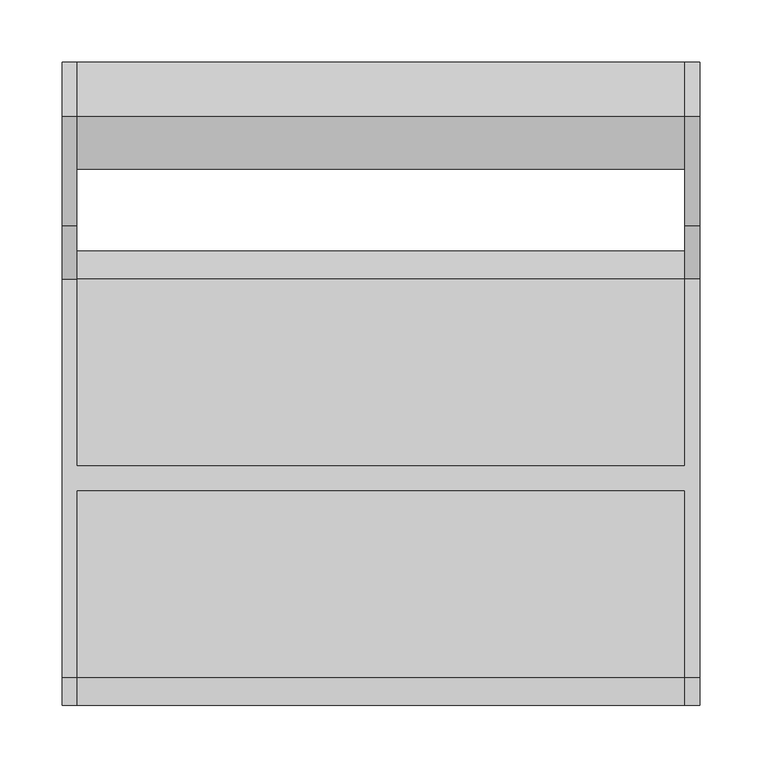
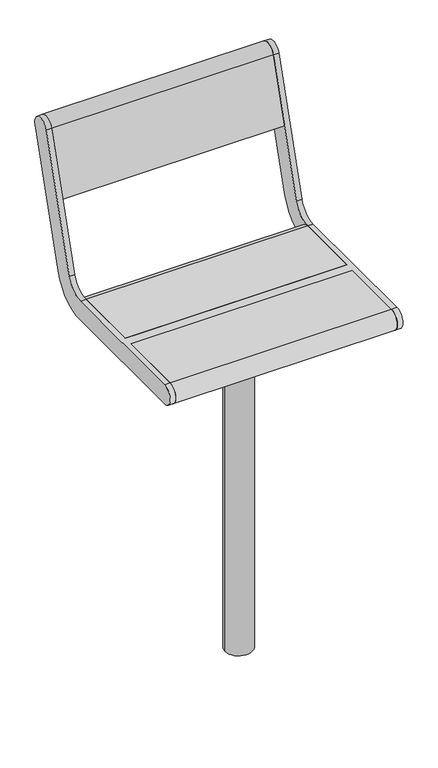
"""IFC4 building model written with IfcOpenShell, lengths in millimetres: furniture geometry."""

from ifc_helpers import new_model, si_unit, point, frame, frame_2d, origin, origin_2d, place, context, project, spatial, polyline, circle_curve, trimmed, segment, composite_curve, outline, extrude, source, transform, mapped, element, save
from ifc_brep_helpers import plane_surface, cylinder_surface, revolved_surface, advanced_brep


def furniture_82191acc(model_context):
    return source(origin(), model_context, "Body", "SolidModel", [
        advanced_brep(
        [(-245.0, 291.0375971, 769.6910048), (-245.0, 203.033714, 481.8432733), (-245.0, 160.0, 450.0), (-245.0, 9.5, 450.0), (-245.0, 9.5, 405.0), (-245.0, 160.0, 405.0), (-245.0, 246.067428, 468.6865466), (-245.0, 334.0713112, 756.5342781), (-245.0, -161.0, 450.0), (-245.0, -161.0, 405.0), (-245.0, -10.5, 405.0), (-245.0, -10.5, 450.0), (-257.0, 291.0375971, 769.6910048), (-257.0, 334.0713112, 756.5342781), (-257.0, 246.067428, 468.6865466), (-257.0, 160.0, 405.0), (-257.0, -161.0, 405.0), (-257.0, -161.0, 450.0), (-257.0, 160.0, 450.0), (-257.0, 203.033714, 481.8432733), (245.0, -10.5, 450.0), (245.0, -161.0, 450.0), (257.0, -161.0, 450.0), (257.0, 160.0, 450.0), (245.0, 160.0, 450.0), (245.0, 9.5, 450.0), (245.0, 9.5, 405.0), (245.0, 160.0, 405.0), (257.0, 160.0, 405.0), (257.0, -161.0, 405.0), (245.0, -161.0, 405.0), (245.0, -10.5, 405.0), (257.0, 291.0375971, 769.6910048), (257.0, 203.033714, 481.8432733), (257.0, 246.067428, 468.6865466), (257.0, 334.0713112, 756.5342781), (245.0, 291.0375971, 769.6910048), (245.0, 334.0713112, 756.5342781), (245.0, 246.067428, 468.6865466), (245.0, 203.033714, 481.8432733)],
        [
            (0, 1),
            (1, 2, circle_curve(frame((-245.0, 160.0, 495.0), z_axis=(-1.0, 0.0, 0.0), x_axis=(0.0, -1.0, 0.0)), 45.0)),
            (2, 3),
            (3, 4),
            (4, 5),
            (5, 6, circle_curve(frame((-245.0, 160.0, 495.0), z_axis=(1.0, 0.0, 0.0), x_axis=(0.0, -1.0, 0.0)), 90.0)),
            (6, 7),
            (7, 0, circle_curve(frame((-245.0, 312.5544541, 763.1126415), z_axis=(1.0, 0.0, 0.0), x_axis=(0.0, -1.0, 0.0)), 22.5)),
            (8, 9, circle_curve(frame((-245.0, -161.0, 427.5), z_axis=(1.0, 0.0, 0.0), x_axis=(0.0, -1.0, 0.0)), 22.5)),
            (9, 10),
            (10, 11),
            (11, 8),
            (12, 13, circle_curve(frame((-257.0, 312.5544541, 763.1126415), z_axis=(-1.0, 0.0, 0.0), x_axis=(0.0, -1.0, 0.0)), 22.5)),
            (13, 14),
            (14, 15, circle_curve(frame((-257.0, 160.0, 495.0), z_axis=(-1.0, 0.0, 0.0), x_axis=(0.0, -1.0, 0.0)), 90.0)),
            (15, 16),
            (16, 17, circle_curve(frame((-257.0, -161.0, 427.5), z_axis=(-1.0, 0.0, 0.0), x_axis=(0.0, -1.0, 0.0)), 22.5)),
            (17, 18),
            (18, 19, circle_curve(frame((-257.0, 160.0, 495.0), z_axis=(1.0, 0.0, 0.0), x_axis=(0.0, -1.0, 0.0)), 45.0)),
            (19, 12),
            (0, 12),
            (19, 1),
            (18, 2),
            (17, 8),
            (11, 20),
            (20, 21),
            (21, 22),
            (22, 23),
            (23, 24),
            (24, 25),
            (25, 3),
            (15, 5),
            (4, 26),
            (26, 27),
            (27, 28),
            (28, 29),
            (29, 30),
            (30, 31),
            (31, 10),
            (9, 16),
            (14, 6),
            (13, 7),
            (31, 20),
            (25, 26),
            (32, 33),
            (33, 23, circle_curve(frame((257.0, 160.0, 495.0), z_axis=(-1.0, 0.0, 0.0), x_axis=(0.0, -1.0, 0.0)), 45.0)),
            (22, 29, circle_curve(frame((257.0, -161.0, 427.5), z_axis=(1.0, 0.0, 0.0), x_axis=(0.0, -1.0, 0.0)), 22.5)),
            (28, 34, circle_curve(frame((257.0, 160.0, 495.0), z_axis=(1.0, 0.0, 0.0), x_axis=(0.0, -1.0, 0.0)), 90.0)),
            (34, 35),
            (35, 32, circle_curve(frame((257.0, 312.5544541, 763.1126415), z_axis=(1.0, 0.0, 0.0), x_axis=(0.0, -1.0, 0.0)), 22.5)),
            (36, 37, circle_curve(frame((245.0, 312.5544541, 763.1126415), z_axis=(-1.0, 0.0, 0.0), x_axis=(0.0, -1.0, 0.0)), 22.5)),
            (37, 38),
            (38, 27, circle_curve(frame((245.0, 160.0, 495.0), z_axis=(-1.0, 0.0, 0.0), x_axis=(0.0, -1.0, 0.0)), 90.0)),
            (24, 39, circle_curve(frame((245.0, 160.0, 495.0), z_axis=(1.0, 0.0, 0.0), x_axis=(0.0, -1.0, 0.0)), 45.0)),
            (39, 36),
            (30, 21, circle_curve(frame((245.0, -161.0, 427.5), z_axis=(-1.0, 0.0, 0.0), x_axis=(0.0, -1.0, 0.0)), 22.5)),
            (32, 36),
            (39, 33),
            (38, 34),
            (37, 35),
        ],
        [
            plane_surface(frame((-245.0, 203.033714, 481.8432733), z_axis=(1.0000000000000002, 0.0, 0.0), x_axis=(0.0, -0.29237170472273394, -0.9563047559630364))),
            plane_surface(frame((-257.0, 203.033714, 481.8432733), z_axis=(-1.0000000000000002, 0.0, 0.0), x_axis=(0.0, 0.29237170472273394, 0.9563047559630364))),
            plane_surface(frame((-245.0, 291.0375971, 769.6910048), z_axis=(0.0, -0.9563047559630364, 0.29237170472273394), x_axis=(-1.0, 0.0, 0.0))),
            revolved_surface(polyline([(-257.0, 115.0, 495.0), (-245.0, 115.0, 495.0)]), (-257.0, 160.0, 495.0), (-1.0, 0.0, 0.0)),
            plane_surface(frame((-245.0, 160.0, 450.0), z_axis=(0.0, 0.0, 1.0), x_axis=(-1.0, 0.0, 0.0))),
            plane_surface(frame((-245.0, -161.0, 405.0), z_axis=(0.0, 0.0, -1.0), x_axis=(-1.0, 0.0, 0.0))),
            cylinder_surface(frame((-257.0, 160.0, 495.0), z_axis=(1.0, 0.0, 0.0), x_axis=(0.0, -1.0, 0.0)), 90.0),
            plane_surface(frame((-245.0, 246.067428, 468.6865466), z_axis=(0.0, 0.9563047559630364, -0.29237170472273366), x_axis=(-1.0, 0.0, 0.0))),
            cylinder_surface(frame((-257.0, 312.5544541, 763.1126415), z_axis=(1.0, 0.0, 0.0), x_axis=(0.0, -1.0, 0.0)), 22.5),
            cylinder_surface(frame((-257.0, -161.0, 427.5), z_axis=(1.0, 0.0, 0.0), x_axis=(0.0, -1.0, 0.0)), 22.5),
            plane_surface(frame((245.0, -10.5, 450.0), z_axis=(0.0, -1.0, 0.0), x_axis=(-1.0, 0.0, 0.0))),
            plane_surface(frame((245.0, 9.5, 405.0), z_axis=(0.0, 1.0, 0.0), x_axis=(-1.0, 0.0, 0.0))),
            plane_surface(frame((257.0, 203.033714, 481.8432733), z_axis=(1.0000000000000002, 0.0, 0.0), x_axis=(0.0, -0.29237170472273394, -0.9563047559630364))),
            plane_surface(frame((245.0, 203.033714, 481.8432733), z_axis=(-1.0000000000000002, 0.0, 0.0), x_axis=(0.0, 0.29237170472273394, 0.9563047559630364))),
            plane_surface(frame((257.0, 291.0375971, 769.6910048), z_axis=(0.0, -0.9563047559630364, 0.29237170472273394), x_axis=(-1.0, 0.0, 0.0))),
            revolved_surface(polyline([(245.0, 115.0, 495.0), (257.0, 115.0, 495.0)]), (245.0, 160.0, 495.0), (-1.0, 0.0, 0.0)),
            cylinder_surface(frame((245.0, 160.0, 495.0), z_axis=(1.0, 0.0, 0.0), x_axis=(0.0, -1.0, 0.0)), 90.0),
            plane_surface(frame((257.0, 246.067428, 468.6865466), z_axis=(0.0, 0.9563047559630364, -0.29237170472273366), x_axis=(-1.0, 0.0, 0.0))),
            cylinder_surface(frame((245.0, 312.5544541, 763.1126415), z_axis=(1.0, 0.0, 0.0), x_axis=(0.0, -1.0, 0.0)), 22.5),
            cylinder_surface(frame((245.0, -161.0, 427.5), z_axis=(1.0, 0.0, 0.0), x_axis=(0.0, -1.0, 0.0)), 22.5),
        ],
        [
            (0, [[1, 2, 3, 4, 5, 6, 7, 8]]),
            (0, [[9, 10, 11, 12]]),
            (1, [[13, 14, 15, 16, 17, 18, 19, 20]]),
            (2, [[-1, 21, -20, 22]]),
            (3, [[-2, -22, -19, 23]]),
            (4, [[-18, 24, -12, 25, 26, 27, 28, 29, 30, 31, -3, -23]]),
            (5, [[-16, 32, -5, 33, 34, 35, 36, 37, 38, 39, -10, 40]]),
            (6, [[-6, -32, -15, 41]]),
            (7, [[-7, -41, -14, 42]]),
            (8, [[-8, -42, -13, -21]]),
            (9, [[-9, -24, -17, -40]]),
            (10, [[-25, -11, -39, 43]]),
            (11, [[-31, 44, -33, -4]]),
            (12, [[45, 46, -28, 47, -36, 48, 49, 50]]),
            (13, [[51, 52, 53, -34, -44, -30, 54, 55]]),
            (13, [[56, -26, -43, -38]]),
            (14, [[-45, 57, -55, 58]]),
            (15, [[-46, -58, -54, -29]]),
            (16, [[-48, -35, -53, 59]]),
            (17, [[-49, -59, -52, 60]]),
            (18, [[-50, -60, -51, -57]]),
            (19, [[-47, -27, -56, -37]]),
        ],
    ),
        extrude(outline(composite_curve([segment(trimmed(circle_curve(frame_2d((312.5544541, 763.1126415)), 22.5), [point((291.0375971, 769.6910048))], [point((334.0713112, 756.5342781))], False, "CARTESIAN"), True, "CONTINUOUS"), segment(polyline([(334.0713112, 756.5342781), (291.5312281, 617.3919361), (248.4975141, 630.5486628), (291.0375971, 769.6910048)]), True, "CONTINUOUS")], self_intersect=False)), frame((-245.0, 0.0, 0.0), z_axis=(1.0, 0.0, 0.0), x_axis=(0.0, 1.0, 0.0)), (0.0, 0.0, 1.0), 490.0),
        extrude(outline(composite_curve([segment(polyline([(9.5, 405.0), (9.5, 450.0), (160.0, 450.0)]), True, "CONTINUOUS"), segment(trimmed(circle_curve(frame_2d((160.0, 427.5)), 22.5), [point((160.0, 450.0))], [point((160.0, 405.0))], False, "CARTESIAN"), True, "CONTINUOUS"), segment(polyline([(160.0, 405.0), (9.5, 405.0)]), True, "CONTINUOUS")], self_intersect=False)), frame((-245.0, 0.0, 0.0), z_axis=(1.0, 0.0, 0.0), x_axis=(0.0, 1.0, 0.0)), (0.0, 0.0, 1.0), 490.0),
        extrude(outline(composite_curve([segment(polyline([(-10.5, 405.0), (-161.0, 405.0)]), True, "CONTINUOUS"), segment(trimmed(circle_curve(frame_2d((-161.0, 427.5)), 22.5), [point((-161.0, 405.0))], [point((-161.0, 450.0))], False, "CARTESIAN"), True, "CONTINUOUS"), segment(polyline([(-161.0, 450.0), (-10.5, 450.0), (-10.5, 405.0)]), True, "CONTINUOUS")], self_intersect=False)), frame((-245.0, 0.0, 0.0), z_axis=(1.0, 0.0, 0.0), x_axis=(0.0, 1.0, 0.0)), (0.0, 0.0, 1.0), 490.0),
        extrude(outline(composite_curve([segment(trimmed(circle_curve(origin_2d(), 30.0), [point((-30.0, 0.0))], [point((30.0, 0.0))], False, "CARTESIAN"), True, "CONTINUOUS"), segment(trimmed(circle_curve(origin_2d(), 30.0), [point((30.0, 0.0))], [point((-30.0, 0.0))], False, "CARTESIAN"), True, "CONTINUOUS")], self_intersect=False)), frame((0.0, 0.0, -350.0), z_axis=(0.0, 0.0, 1.0), x_axis=(1.0, 0.0, 0.0)), (0.0, 0.0, 1.0), 739.0),
        extrude(outline(polyline([(75.0, 125.0), (75.0, -125.0), (-75.0, -125.0), (-75.0, 125.0), (75.0, 125.0)])), frame((0.0, 0.0, 389.0), z_axis=(0.0, 0.0, 1.0), x_axis=(1.0, 0.0, 0.0)), (0.0, 0.0, 1.0), 16.0),
    ])


if __name__ == "__main__":
    model = new_model("IFC4")
    model_context = context("Model", 3, world=origin())
    ifc_project = project(units=[si_unit("LENGTHUNIT", "METRE", prefix="MILLI")], contexts=[model_context])
    site = spatial("IfcSite", under=ifc_project)
    building = spatial("IfcBuilding", under=site)
    placement = place(None, origin())
    furniture_shape = furniture_82191acc(model_context)
    element("IfcFurniture", 1, at=placement, inside=building, context=model_context, shape_type="MappedRepresentation", body=[
        mapped(furniture_shape, transform((0.0, 0.0, 0.0), x_axis=(1.0, 0.0, 0.0), y_axis=(0.0, 1.0, 0.0), z_axis=(0.0, 0.0, 1.0))),
    ])
    save(model, "model.ifc")
